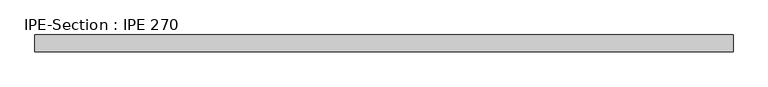
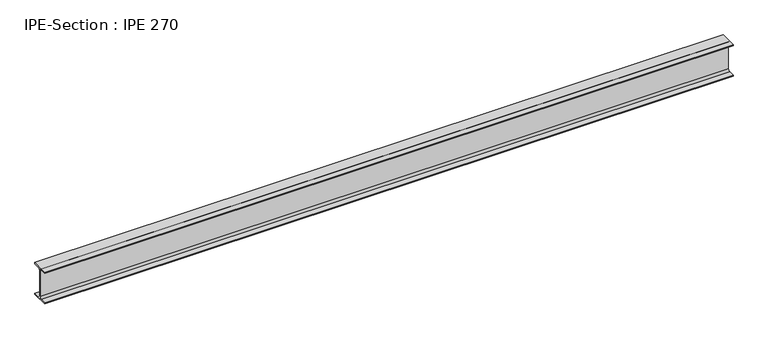
"""IFC4 building model written with IfcOpenShell, lengths in millimetres: beam geometry, IPE-Section : IPE 270."""

import ifcopenshell
import ifcopenshell.guid

model = None  # the IFC model being written
_history = None  # IfcOwnerHistory: only IFC2X3 demands one
_inside = {}  # id of a spatial element -> (the spatial element, [elements in it])
_under = {}  # id of a project, library or spatial element -> (it, [spatial elements below it])
_declared = {}  # id of a project -> (the project, [libraries it declares])
_typed = {}  # id of a type object -> (the type object, [elements of that type])
_made_of = {}  # id of a material, layer set ... -> (it, [elements and type objects made of it])


def new_model(schema):
    """Start an empty IFC model of exactly this schema.

    Asked for "IFC4X3", IfcOpenShell would pick the latest addendum, in which some entities
    have other attributes; the version numbers below select the first issue.
    IFC2X3 requires an IfcOwnerHistory on every rooted entity: one is made here for all.
    """
    global model, _history
    if schema == "IFC4X3":
        model = ifcopenshell.file(schema_version=(4, 3, 0, 0))
    else:
        model = ifcopenshell.file(schema=schema)
    _inside.clear()
    _under.clear()
    _declared.clear()
    _typed.clear()
    _made_of.clear()
    _history = None
    if model.schema == "IFC2X3":
        org = make("IfcOrganization", Name="unknown")
        user = make(
            "IfcPersonAndOrganization",
            ThePerson=make("IfcPerson", FamilyName="unknown"),
            TheOrganization=org,
        )
        app = make(
            "IfcApplication",
            ApplicationDeveloper=org,
            Version="unknown",
            ApplicationFullName="unknown",
            ApplicationIdentifier="unknown",
        )
        _history = make(
            "IfcOwnerHistory",
            OwningUser=user,
            OwningApplication=app,
            ChangeAction="ADDED",
            CreationDate=0,
        )
    return model


def make(cls, **values):
    """One entity of the class cls with the attributes given. An attribute that is None is left unset."""
    return model.create_entity(
        cls, **{name: value for name, value in values.items() if value is not None}
    )


def rooted(cls, **values):
    """An entity with a GlobalId (a new one), such as an element, a storey or a relation."""
    return make(cls, GlobalId=ifcopenshell.guid.new(), OwnerHistory=_history, **values)


def si_unit(unit_type, name, prefix=None):
    """IfcSIUnit, for example si_unit("LENGTHUNIT", "METRE", prefix="MILLI")."""
    return make("IfcSIUnit", UnitType=unit_type, Prefix=prefix, Name=name)


def assignment(units):
    """IfcUnitAssignment: the units of a project."""
    return None if units is None else make("IfcUnitAssignment", Units=units)


def point(xyz):
    """IfcCartesianPoint."""
    return None if xyz is None else make("IfcCartesianPoint", Coordinates=xyz)


def direction(xyz):
    """IfcDirection."""
    return None if xyz is None else make("IfcDirection", DirectionRatios=xyz)


def frame(location, z_axis=None, x_axis=None):
    """IfcAxis2Placement3D, a coordinate frame: its origin and axes. An axis left out is left unset."""
    return make(
        "IfcAxis2Placement3D",
        Location=point(location),
        Axis=direction(z_axis),
        RefDirection=direction(x_axis),
    )


def frame_2d(location, x_axis=None):
    """IfcAxis2Placement2D, a coordinate frame in the plane: its origin and x axis."""
    return make(
        "IfcAxis2Placement2D", Location=point(location), RefDirection=direction(x_axis)
    )


def origin():
    """The frame at (0, 0, 0) with its axes left unset."""
    return frame((0.0, 0.0, 0.0))


def place(relative_to, where):
    """IfcLocalPlacement: puts the frame where relative to a parent placement (None: the world)."""
    return make(
        "IfcLocalPlacement", PlacementRelTo=relative_to, RelativePlacement=where
    )


def context(
    kind, dimensions, precision=None, world=None, true_north=None, identifier=None
):
    """IfcGeometricRepresentationContext, for example the 3D "Model" context."""
    return make(
        "IfcGeometricRepresentationContext",
        ContextIdentifier=identifier,
        ContextType=kind,
        CoordinateSpaceDimension=dimensions,
        Precision=precision,
        WorldCoordinateSystem=world,
        TrueNorth=true_north,
    )


def project(units=None, contexts=None):
    """IfcProject with its units and contexts."""
    return rooted(
        "IfcProject",
        Name="project",
        RepresentationContexts=contexts,
        UnitsInContext=assignment(units),
    )


def spatial(cls, under=None, at=None, **own):
    """A site, building, storey or space (cls), placed at a placement, below another one or the project."""
    s = rooted(cls, ObjectPlacement=at, **own)
    if under is not None:
        _under.setdefault(under.id(), (under, []))[1].append(s)
    return s


def polyline(points):
    """IfcPolyline through the points."""
    return make("IfcPolyline", Points=[point(p) for p in points])


def circle_curve(where, radius):
    """IfcCircle in the frame where."""
    return make("IfcCircle", Position=where, Radius=radius)


def trimmed(basis, trim1, trim2, sense, master):
    """IfcTrimmedCurve: the piece of a basis curve between two trims."""
    return make(
        "IfcTrimmedCurve",
        BasisCurve=basis,
        Trim1=trim1,
        Trim2=trim2,
        SenseAgreement=sense,
        MasterRepresentation=master,
    )


def segment(curve, same_sense, transition):
    """IfcCompositeCurveSegment."""
    return make(
        "IfcCompositeCurveSegment",
        Transition=transition,
        SameSense=same_sense,
        ParentCurve=curve,
    )


def composite_curve(segments, self_intersect=None):
    """IfcCompositeCurve: segments joined end to end."""
    return make("IfcCompositeCurve", Segments=segments, SelfIntersect=self_intersect)


def outline(outer, holes=None, kind="AREA"):
    """IfcArbitraryClosedProfileDef: a profile drawn as a closed curve; with holes, ...WithVoids."""
    if holes is None:
        return make("IfcArbitraryClosedProfileDef", ProfileType=kind, OuterCurve=outer)
    return make(
        "IfcArbitraryProfileDefWithVoids",
        ProfileType=kind,
        OuterCurve=outer,
        InnerCurves=holes,
    )


def extrude(swept, where, along, depth):
    """IfcExtrudedAreaSolid: the profile swept, set in the frame where, extruded along a direction by depth."""
    return make(
        "IfcExtrudedAreaSolid",
        SweptArea=swept,
        Position=where,
        ExtrudedDirection=direction(along),
        Depth=depth,
    )


def shape(context_of_items, identifier, shape_type, items):
    """IfcShapeRepresentation: the items that make up one representation, for example the "Body"."""
    return make(
        "IfcShapeRepresentation",
        ContextOfItems=context_of_items,
        RepresentationIdentifier=identifier,
        RepresentationType=shape_type,
        Items=items,
    )


def source(mapping_origin, context_of_items, identifier, shape_type, items):
    """IfcRepresentationMap: a shape defined once, which mapped items show again and again."""
    return make(
        "IfcRepresentationMap",
        MappingOrigin=mapping_origin,
        MappedRepresentation=shape(context_of_items, identifier, shape_type, items),
    )


def transform(
    local_origin,
    x_axis=None,
    y_axis=None,
    z_axis=None,
    scale=None,
    scale2=None,
    scale3=None,
    uniform=True,
):
    """IfcCartesianTransformationOperator3D, or its non-uniform kind. x_axis, y_axis, z_axis: its Axis1, 2, 3."""
    if uniform:
        return make(
            "IfcCartesianTransformationOperator3D",
            Axis1=direction(x_axis),
            Axis2=direction(y_axis),
            LocalOrigin=point(local_origin),
            Scale=scale,
            Axis3=direction(z_axis),
        )
    return make(
        "IfcCartesianTransformationOperator3DnonUniform",
        Axis1=direction(x_axis),
        Axis2=direction(y_axis),
        LocalOrigin=point(local_origin),
        Scale=scale,
        Axis3=direction(z_axis),
        Scale2=scale2,
        Scale3=scale3,
    )


def mapped(mapping_source, mapping_target):
    """IfcMappedItem: shows the shape of a source again, moved by a transform."""
    return make(
        "IfcMappedItem", MappingSource=mapping_source, MappingTarget=mapping_target
    )


def made_of(thing, what):
    """Note that an element or type object is made of a material, layer set ...; save() writes the relation."""
    if what is not None:
        _made_of.setdefault(what.id(), (what, []))[1].append(thing)
    return thing


def element(
    cls,
    number,
    at=None,
    inside=None,
    cuts=None,
    type_object=None,
    material=None,
    context=None,
    identifier="Body",
    shape_type=None,
    held_by="IfcProductDefinitionShape",
    body=None,
    shapes=None,
    **own,
):
    """One element of the class cls, such as IfcWall. Its Tag is "e" and its number.

    at: its placement. inside: the storey or other place that contains it. cuts: it is an
    opening in that element (IfcRelVoidsElement). A single representation is given by context,
    identifier, shape_type and body (its items); several are given by shapes. held_by: the class
    of the entity that holds the representations. save() writes the other relations.
    """
    e = rooted(cls, Tag="e%d" % number, ObjectPlacement=at, **own)
    if body is not None:
        shapes = [shape(context, identifier, shape_type, body)]
    if shapes is not None:
        e.Representation = make(held_by, Representations=shapes)
    if inside is not None:
        _inside.setdefault(inside.id(), (inside, []))[1].append(e)
    if cuts is not None:
        rooted(
            "IfcRelVoidsElement", RelatingBuildingElement=cuts, RelatedOpeningElement=e
        )
    if type_object is not None:
        _typed.setdefault(type_object.id(), (type_object, []))[1].append(e)
    return made_of(e, material)


def aggregate(whole, parts):
    """IfcRelAggregates: a whole, such as a stair, and the parts it consists of."""
    return rooted("IfcRelAggregates", RelatingObject=whole, RelatedObjects=parts)


def save(model, path):
    """Write the relations noted so far, then the file.

    IfcRelAggregates (storeys below a building ...), IfcRelContainedInSpatialStructure (elements
    in a storey), IfcRelDefinesByType, IfcRelAssociatesMaterial and IfcRelDeclares: one each for
    every whole, place, type object, material and project.
    """
    for whole, parts in _under.values():
        aggregate(whole, parts)
    for where, things in _inside.values():
        rooted(
            "IfcRelContainedInSpatialStructure",
            RelatedElements=things,
            RelatingStructure=where,
        )
    for kind, things in _typed.values():
        rooted("IfcRelDefinesByType", RelatedObjects=things, RelatingType=kind)
    for what, things in _made_of.values():
        rooted("IfcRelAssociatesMaterial", RelatedObjects=things, RelatingMaterial=what)
    for by, libraries in _declared.values():
        rooted("IfcRelDeclares", RelatingContext=by, RelatedDefinitions=libraries)
    model.write(path)


def ipe_section_ipe_270_468c1b96(model_context):
    return source(origin(), model_context, "Body", "SweptSolid", [
        extrude(outline(composite_curve([segment(polyline([(67.5, -124.8), (67.5, -135.0), (-67.5, -135.0), (-67.5, -124.8), (-18.3, -124.8)]), True, "CONTINUOUS"), segment(trimmed(circle_curve(frame_2d((-18.3, -109.8)), 15.0), [point((-18.3, -124.8))], [point((-3.3, -109.8))], True, "CARTESIAN"), True, "CONTINUOUS"), segment(polyline([(-3.3, -109.8), (-3.3, 109.8)]), True, "CONTINUOUS"), segment(trimmed(circle_curve(frame_2d((-18.3, 109.8)), 15.0), [point((-3.3, 109.8))], [point((-18.3, 124.8))], True, "CARTESIAN"), True, "CONTINUOUS"), segment(polyline([(-18.3, 124.8), (-67.5, 124.8), (-67.5, 135.0), (67.5, 135.0), (67.5, 124.8), (18.3, 124.8)]), True, "CONTINUOUS"), segment(trimmed(circle_curve(frame_2d((18.3, 109.8)), 15.0), [point((18.3, 124.8))], [point((3.3, 109.8))], True, "CARTESIAN"), True, "CONTINUOUS"), segment(polyline([(3.3, 109.8), (3.3, -109.8)]), True, "CONTINUOUS"), segment(trimmed(circle_curve(frame_2d((18.3, -109.8)), 15.0), [point((3.3, -109.8))], [point((18.3, -124.8))], True, "CARTESIAN"), True, "CONTINUOUS"), segment(polyline([(18.3, -124.8), (67.5, -124.8)]), True, "CONTINUOUS")], self_intersect=False)), frame((-2756.1342718, 0.0, 0.0), z_axis=(1.0, 0.0, 0.0), x_axis=(0.0, 1.0, 0.0)), (0.0, 0.0, 1.0), 5525.8003231),
    ])


if __name__ == "__main__":
    model = new_model("IFC4")
    model_context = context("Model", 3, world=origin())
    ifc_project = project(units=[si_unit("LENGTHUNIT", "METRE", prefix="MILLI")], contexts=[model_context])
    site = spatial("IfcSite", under=ifc_project)
    building = spatial("IfcBuilding", under=site)
    placement = place(None, origin())
    ipe_section_ipe_270_shape = ipe_section_ipe_270_468c1b96(model_context)
    element("IfcBeam", 1, ObjectType="IPE-Section : IPE 270", at=placement, inside=building, context=model_context, shape_type="MappedRepresentation", body=[
        mapped(ipe_section_ipe_270_shape, transform((0.0, 0.0, 0.0), x_axis=(1.0, 0.0, 0.0), y_axis=(0.0, 1.0, 0.0), z_axis=(0.0, 0.0, 1.0))),
    ])
    save(model, "model.ifc")
